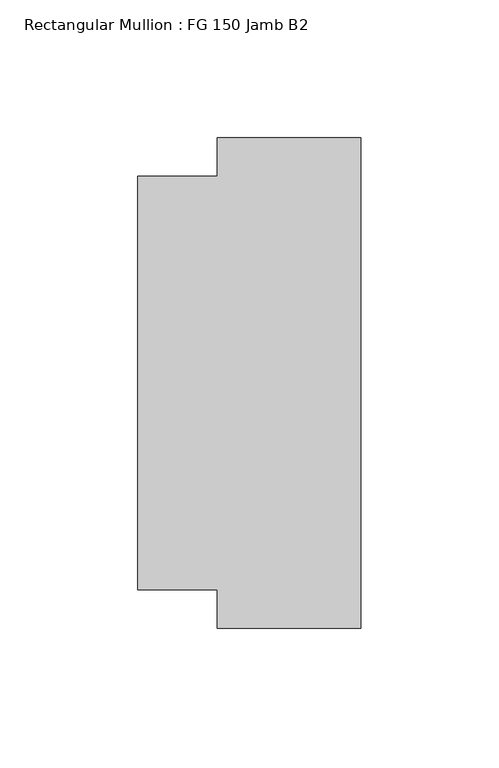
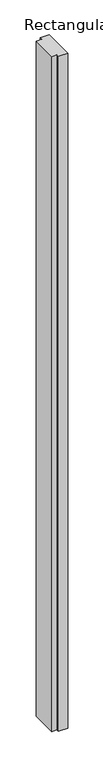
"""IFC4 building model written with IfcOpenShell, lengths in millimetres: member geometry, Rectangular Mullion : FG 150 Jamb B2."""

from ifc_helpers import new_model, si_unit, frame, origin, place, context, project, spatial, polyline, outline, extrude, source, transform, mapped, element, save


def rectangular_mullion_fg_150_jamb_b2_fa2348b4(model_context):
    return source(origin(), model_context, "Body", "SweptSolid", [
        extrude(outline(polyline([(0.0, -89.0053119), (-52.0, -89.0053119), (-52.0, -75.0), (-80.9079314, -75.0), (-80.9079314, 75.0001604), (-52.0, 75.0001604), (-52.0, 89.0001604), (0.0, 89.0001604), (0.0, -89.0053119)])), frame((0.0, 0.0, -3995.0), z_axis=(0.0, 0.0, 1.0), x_axis=(1.0, 0.0, 0.0)), (0.0, 0.0, 1.0), 3995.0),
    ])


if __name__ == "__main__":
    model = new_model("IFC4")
    model_context = context("Model", 3, world=origin())
    ifc_project = project(units=[si_unit("LENGTHUNIT", "METRE", prefix="MILLI")], contexts=[model_context])
    site = spatial("IfcSite", under=ifc_project)
    building = spatial("IfcBuilding", under=site)
    placement = place(None, origin())
    rectangular_mullion_fg_150_jamb_b2_shape = rectangular_mullion_fg_150_jamb_b2_fa2348b4(model_context)
    element("IfcMember", 1, ObjectType="Rectangular Mullion : FG 150 Jamb B2", at=placement, inside=building, context=model_context, shape_type="MappedRepresentation", body=[
        mapped(rectangular_mullion_fg_150_jamb_b2_shape, transform((0.0, 0.0, 0.0), x_axis=(1.0, 0.0, 0.0), y_axis=(0.0, 1.0, 0.0), z_axis=(0.0, 0.0, 1.0))),
    ])
    save(model, "model.ifc")
